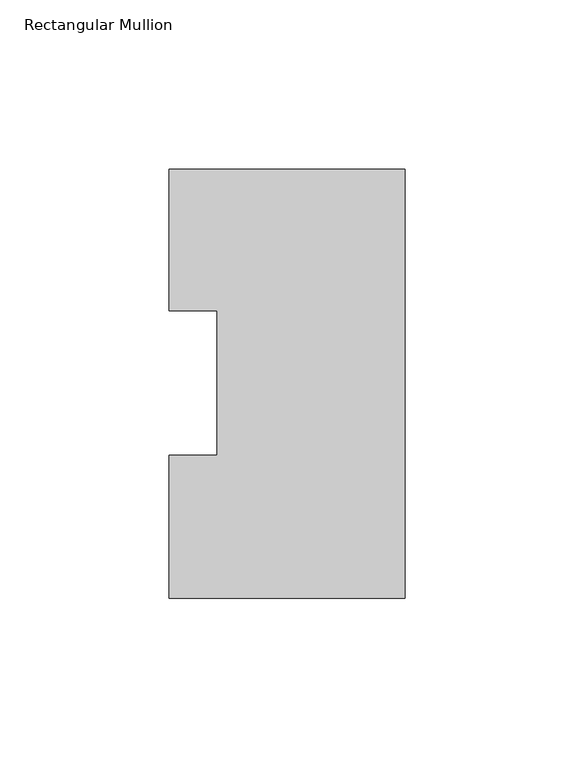
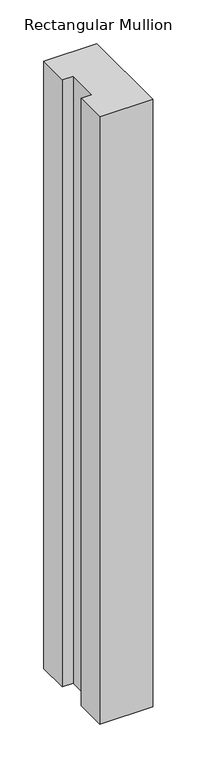
"""IFC4 building model written with IfcOpenShell, lengths in millimetres: member geometry, Rectangular Mullion."""

import ifcopenshell
import ifcopenshell.guid

model = None  # the IFC model being written
_history = None  # IfcOwnerHistory: only IFC2X3 demands one
_inside = {}  # id of a spatial element -> (the spatial element, [elements in it])
_under = {}  # id of a project, library or spatial element -> (it, [spatial elements below it])
_declared = {}  # id of a project -> (the project, [libraries it declares])
_typed = {}  # id of a type object -> (the type object, [elements of that type])
_made_of = {}  # id of a material, layer set ... -> (it, [elements and type objects made of it])


def new_model(schema):
    """Start an empty IFC model of exactly this schema.

    Asked for "IFC4X3", IfcOpenShell would pick the latest addendum, in which some entities
    have other attributes; the version numbers below select the first issue.
    IFC2X3 requires an IfcOwnerHistory on every rooted entity: one is made here for all.
    """
    global model, _history
    if schema == "IFC4X3":
        model = ifcopenshell.file(schema_version=(4, 3, 0, 0))
    else:
        model = ifcopenshell.file(schema=schema)
    _inside.clear()
    _under.clear()
    _declared.clear()
    _typed.clear()
    _made_of.clear()
    _history = None
    if model.schema == "IFC2X3":
        org = make("IfcOrganization", Name="unknown")
        user = make(
            "IfcPersonAndOrganization",
            ThePerson=make("IfcPerson", FamilyName="unknown"),
            TheOrganization=org,
        )
        app = make(
            "IfcApplication",
            ApplicationDeveloper=org,
            Version="unknown",
            ApplicationFullName="unknown",
            ApplicationIdentifier="unknown",
        )
        _history = make(
            "IfcOwnerHistory",
            OwningUser=user,
            OwningApplication=app,
            ChangeAction="ADDED",
            CreationDate=0,
        )
    return model


def make(cls, **values):
    """One entity of the class cls with the attributes given. An attribute that is None is left unset."""
    return model.create_entity(
        cls, **{name: value for name, value in values.items() if value is not None}
    )


def rooted(cls, **values):
    """An entity with a GlobalId (a new one), such as an element, a storey or a relation."""
    return make(cls, GlobalId=ifcopenshell.guid.new(), OwnerHistory=_history, **values)


def si_unit(unit_type, name, prefix=None):
    """IfcSIUnit, for example si_unit("LENGTHUNIT", "METRE", prefix="MILLI")."""
    return make("IfcSIUnit", UnitType=unit_type, Prefix=prefix, Name=name)


def assignment(units):
    """IfcUnitAssignment: the units of a project."""
    return None if units is None else make("IfcUnitAssignment", Units=units)


def point(xyz):
    """IfcCartesianPoint."""
    return None if xyz is None else make("IfcCartesianPoint", Coordinates=xyz)


def direction(xyz):
    """IfcDirection."""
    return None if xyz is None else make("IfcDirection", DirectionRatios=xyz)


def frame(location, z_axis=None, x_axis=None):
    """IfcAxis2Placement3D, a coordinate frame: its origin and axes. An axis left out is left unset."""
    return make(
        "IfcAxis2Placement3D",
        Location=point(location),
        Axis=direction(z_axis),
        RefDirection=direction(x_axis),
    )


def origin():
    """The frame at (0, 0, 0) with its axes left unset."""
    return frame((0.0, 0.0, 0.0))


def place(relative_to, where):
    """IfcLocalPlacement: puts the frame where relative to a parent placement (None: the world)."""
    return make(
        "IfcLocalPlacement", PlacementRelTo=relative_to, RelativePlacement=where
    )


def context(
    kind, dimensions, precision=None, world=None, true_north=None, identifier=None
):
    """IfcGeometricRepresentationContext, for example the 3D "Model" context."""
    return make(
        "IfcGeometricRepresentationContext",
        ContextIdentifier=identifier,
        ContextType=kind,
        CoordinateSpaceDimension=dimensions,
        Precision=precision,
        WorldCoordinateSystem=world,
        TrueNorth=true_north,
    )


def project(units=None, contexts=None):
    """IfcProject with its units and contexts."""
    return rooted(
        "IfcProject",
        Name="project",
        RepresentationContexts=contexts,
        UnitsInContext=assignment(units),
    )


def spatial(cls, under=None, at=None, **own):
    """A site, building, storey or space (cls), placed at a placement, below another one or the project."""
    s = rooted(cls, ObjectPlacement=at, **own)
    if under is not None:
        _under.setdefault(under.id(), (under, []))[1].append(s)
    return s


def polyline(points):
    """IfcPolyline through the points."""
    return make("IfcPolyline", Points=[point(p) for p in points])


def outline(outer, holes=None, kind="AREA"):
    """IfcArbitraryClosedProfileDef: a profile drawn as a closed curve; with holes, ...WithVoids."""
    if holes is None:
        return make("IfcArbitraryClosedProfileDef", ProfileType=kind, OuterCurve=outer)
    return make(
        "IfcArbitraryProfileDefWithVoids",
        ProfileType=kind,
        OuterCurve=outer,
        InnerCurves=holes,
    )


def extrude(swept, where, along, depth):
    """IfcExtrudedAreaSolid: the profile swept, set in the frame where, extruded along a direction by depth."""
    return make(
        "IfcExtrudedAreaSolid",
        SweptArea=swept,
        Position=where,
        ExtrudedDirection=direction(along),
        Depth=depth,
    )


def shape(context_of_items, identifier, shape_type, items):
    """IfcShapeRepresentation: the items that make up one representation, for example the "Body"."""
    return make(
        "IfcShapeRepresentation",
        ContextOfItems=context_of_items,
        RepresentationIdentifier=identifier,
        RepresentationType=shape_type,
        Items=items,
    )


def source(mapping_origin, context_of_items, identifier, shape_type, items):
    """IfcRepresentationMap: a shape defined once, which mapped items show again and again."""
    return make(
        "IfcRepresentationMap",
        MappingOrigin=mapping_origin,
        MappedRepresentation=shape(context_of_items, identifier, shape_type, items),
    )


def transform(
    local_origin,
    x_axis=None,
    y_axis=None,
    z_axis=None,
    scale=None,
    scale2=None,
    scale3=None,
    uniform=True,
):
    """IfcCartesianTransformationOperator3D, or its non-uniform kind. x_axis, y_axis, z_axis: its Axis1, 2, 3."""
    if uniform:
        return make(
            "IfcCartesianTransformationOperator3D",
            Axis1=direction(x_axis),
            Axis2=direction(y_axis),
            LocalOrigin=point(local_origin),
            Scale=scale,
            Axis3=direction(z_axis),
        )
    return make(
        "IfcCartesianTransformationOperator3DnonUniform",
        Axis1=direction(x_axis),
        Axis2=direction(y_axis),
        LocalOrigin=point(local_origin),
        Scale=scale,
        Axis3=direction(z_axis),
        Scale2=scale2,
        Scale3=scale3,
    )


def mapped(mapping_source, mapping_target):
    """IfcMappedItem: shows the shape of a source again, moved by a transform."""
    return make(
        "IfcMappedItem", MappingSource=mapping_source, MappingTarget=mapping_target
    )


def made_of(thing, what):
    """Note that an element or type object is made of a material, layer set ...; save() writes the relation."""
    if what is not None:
        _made_of.setdefault(what.id(), (what, []))[1].append(thing)
    return thing


def element(
    cls,
    number,
    at=None,
    inside=None,
    cuts=None,
    type_object=None,
    material=None,
    context=None,
    identifier="Body",
    shape_type=None,
    held_by="IfcProductDefinitionShape",
    body=None,
    shapes=None,
    **own,
):
    """One element of the class cls, such as IfcWall. Its Tag is "e" and its number.

    at: its placement. inside: the storey or other place that contains it. cuts: it is an
    opening in that element (IfcRelVoidsElement). A single representation is given by context,
    identifier, shape_type and body (its items); several are given by shapes. held_by: the class
    of the entity that holds the representations. save() writes the other relations.
    """
    e = rooted(cls, Tag="e%d" % number, ObjectPlacement=at, **own)
    if body is not None:
        shapes = [shape(context, identifier, shape_type, body)]
    if shapes is not None:
        e.Representation = make(held_by, Representations=shapes)
    if inside is not None:
        _inside.setdefault(inside.id(), (inside, []))[1].append(e)
    if cuts is not None:
        rooted(
            "IfcRelVoidsElement", RelatingBuildingElement=cuts, RelatedOpeningElement=e
        )
    if type_object is not None:
        _typed.setdefault(type_object.id(), (type_object, []))[1].append(e)
    return made_of(e, material)


def aggregate(whole, parts):
    """IfcRelAggregates: a whole, such as a stair, and the parts it consists of."""
    return rooted("IfcRelAggregates", RelatingObject=whole, RelatedObjects=parts)


def save(model, path):
    """Write the relations noted so far, then the file.

    IfcRelAggregates (storeys below a building ...), IfcRelContainedInSpatialStructure (elements
    in a storey), IfcRelDefinesByType, IfcRelAssociatesMaterial and IfcRelDeclares: one each for
    every whole, place, type object, material and project.
    """
    for whole, parts in _under.values():
        aggregate(whole, parts)
    for where, things in _inside.values():
        rooted(
            "IfcRelContainedInSpatialStructure",
            RelatedElements=things,
            RelatingStructure=where,
        )
    for kind, things in _typed.values():
        rooted("IfcRelDefinesByType", RelatedObjects=things, RelatingType=kind)
    for what, things in _made_of.values():
        rooted("IfcRelAssociatesMaterial", RelatedObjects=things, RelatingMaterial=what)
    for by, libraries in _declared.values():
        rooted("IfcRelDeclares", RelatingContext=by, RelatedDefinitions=libraries)
    model.write(path)


def rectangular_mullion_0ab7a608(model_context):
    return source(origin(), model_context, "Body", "SweptSolid", [
        extrude(outline(polyline([(-69.85, 126.79045), (0.0, 126.79045), (0.0, -0.20955), (-69.85, -0.20955), (-69.85, 42.08145), (-55.5625, 42.08145), (-55.5625, 84.93125), (-69.85, 84.93125), (-69.85, 126.79045)])), frame((0.0, 0.0, -844.55), z_axis=(0.0, 0.0, 1.0), x_axis=(1.0, 0.0, 0.0)), (0.0, 0.0, 1.0), 844.55),
    ])


if __name__ == "__main__":
    model = new_model("IFC4")
    model_context = context("Model", 3, world=origin())
    ifc_project = project(units=[si_unit("LENGTHUNIT", "METRE", prefix="MILLI")], contexts=[model_context])
    site = spatial("IfcSite", under=ifc_project)
    building = spatial("IfcBuilding", under=site)
    placement = place(None, origin())
    rectangular_mullion_shape = rectangular_mullion_0ab7a608(model_context)
    element("IfcMember", 1, ObjectType="Rectangular Mullion", at=placement, inside=building, context=model_context, shape_type="MappedRepresentation", body=[
        mapped(rectangular_mullion_shape, transform((0.0, 0.0, 0.0), x_axis=(1.0, 0.0, 0.0), y_axis=(0.0, 1.0, 0.0), z_axis=(0.0, 0.0, 1.0))),
    ])
    save(model, "model.ifc")
